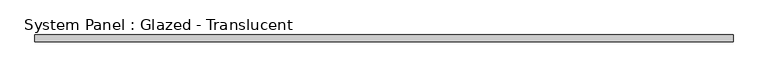
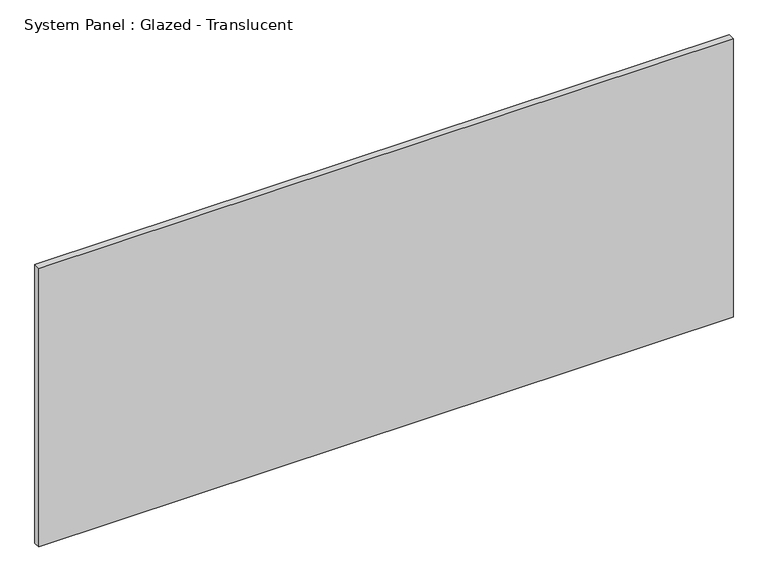
"""IFC4 building model written with IfcOpenShell, lengths in millimetres: plate geometry, System Panel : Glazed - Translucent."""

from ifc_helpers import new_model, si_unit, origin, origin_with_axes, place, context, project, spatial, polyline, outline, extrude, source, transform, mapped, element, save


def system_panel_glazed_translucent_7063737c(model_context):
    return source(origin(), model_context, "Body", "SweptSolid", [
        extrude(outline(polyline([(1323.975, -44.45), (-1323.975, -44.45), (-1323.975, -19.05), (1323.975, -19.05), (1323.975, -44.45)])), origin_with_axes(), (0.0, 0.0, 1.0), 1123.95),
    ])


if __name__ == "__main__":
    model = new_model("IFC4")
    model_context = context("Model", 3, world=origin())
    ifc_project = project(units=[si_unit("LENGTHUNIT", "METRE", prefix="MILLI")], contexts=[model_context])
    site = spatial("IfcSite", under=ifc_project)
    building = spatial("IfcBuilding", under=site)
    placement = place(None, origin())
    system_panel_glazed_translucent_shape = system_panel_glazed_translucent_7063737c(model_context)
    element("IfcPlate", 1, ObjectType="System Panel : Glazed - Translucent", at=placement, inside=building, context=model_context, shape_type="MappedRepresentation", body=[
        mapped(system_panel_glazed_translucent_shape, transform((0.0, 0.0, 0.0), x_axis=(1.0, 0.0, 0.0), y_axis=(0.0, 1.0, 0.0), z_axis=(0.0, 0.0, 1.0))),
    ])
    save(model, "model.ifc")
